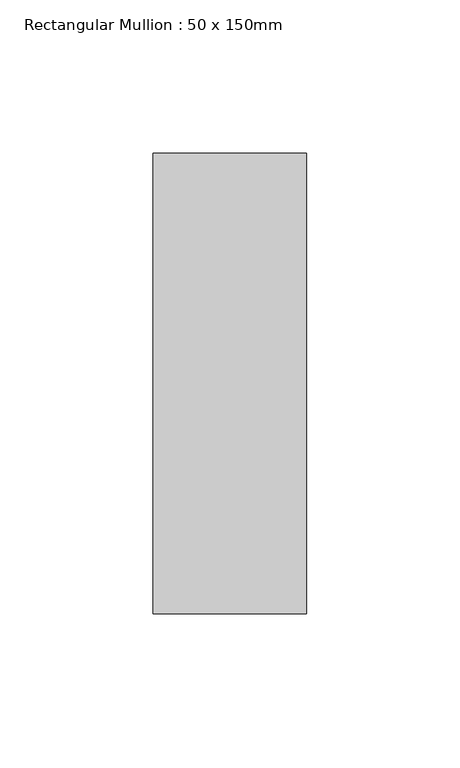
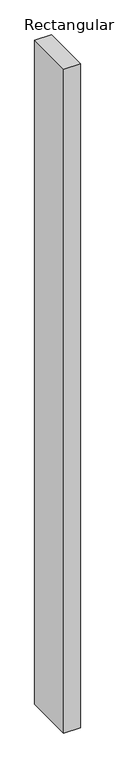
"""IFC4 building model written with IfcOpenShell, lengths in millimetres: member geometry, Rectangular Mullion : 50 x 150mm."""

from ifc_helpers import new_model, si_unit, frame, origin, place, context, project, spatial, polyline, outline, extrude, source, transform, mapped, element, save


def rectangular_mullion_50_x_150mm_69155bbe(model_context):
    return source(origin(), model_context, "Body", "SweptSolid", [
        extrude(outline(polyline([(0.0, 75.0), (0.0, -75.0), (-50.0, -75.0), (-50.0, 75.0), (0.0, 75.0)])), frame((0.0, 0.0, -2100.0), z_axis=(0.0, 0.0, 1.0), x_axis=(1.0, 0.0, 0.0)), (0.0, 0.0, 1.0), 2100.0),
    ])


if __name__ == "__main__":
    model = new_model("IFC4")
    model_context = context("Model", 3, world=origin())
    ifc_project = project(units=[si_unit("LENGTHUNIT", "METRE", prefix="MILLI")], contexts=[model_context])
    site = spatial("IfcSite", under=ifc_project)
    building = spatial("IfcBuilding", under=site)
    placement = place(None, origin())
    rectangular_mullion_50_x_150mm_shape = rectangular_mullion_50_x_150mm_69155bbe(model_context)
    element("IfcMember", 1, ObjectType="Rectangular Mullion : 50 x 150mm", at=placement, inside=building, context=model_context, shape_type="MappedRepresentation", body=[
        mapped(rectangular_mullion_50_x_150mm_shape, transform((0.0, 0.0, 0.0), x_axis=(1.0, 0.0, 0.0), y_axis=(0.0, 1.0, 0.0), z_axis=(0.0, 0.0, 1.0))),
    ])
    save(model, "model.ifc")
